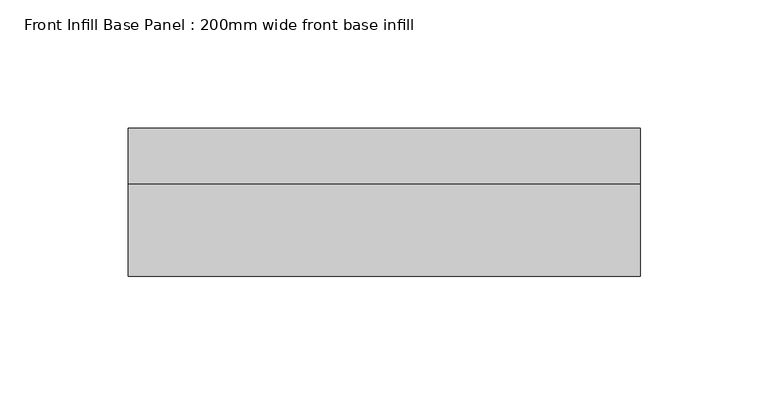
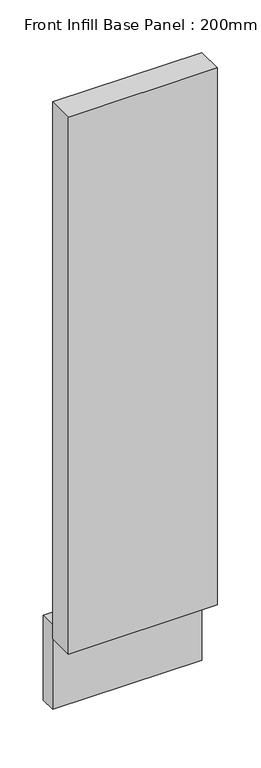
"""IFC4 building model written with IfcOpenShell, lengths in millimetres: furniture geometry, Front Infill Base Panel : 200mm wide front base infill."""

from ifc_helpers import new_model, si_unit, frame, origin, origin_with_axes, place, context, project, spatial, polyline, outline, extrude, source, transform, mapped, element, save


def front_infill_base_panel_200mm_wide_front_base_infill_aa18a56d(model_context):
    return source(origin(), model_context, "Body", "SweptSolid", [
        extrude(outline(polyline([(44.7003264, -547.0), (44.7003264, -583.0), (-155.2996736, -583.0), (-155.2996736, -547.0), (44.7003264, -547.0)])), frame((0.0, 0.0, 100.0), z_axis=(0.0, 0.0, 1.0), x_axis=(1.0, 0.0, 0.0)), (0.0, 0.0, 1.0), 760.0),
        extrude(outline(polyline([(44.7003264, -525.0), (44.7003264, -547.0), (-155.2996736, -547.0), (-155.2996736, -525.0), (44.7003264, -525.0)])), origin_with_axes(), (0.0, 0.0, 1.0), 120.0),
    ])


if __name__ == "__main__":
    model = new_model("IFC4")
    model_context = context("Model", 3, world=origin())
    ifc_project = project(units=[si_unit("LENGTHUNIT", "METRE", prefix="MILLI")], contexts=[model_context])
    site = spatial("IfcSite", under=ifc_project)
    building = spatial("IfcBuilding", under=site)
    placement = place(None, origin())
    front_infill_base_panel_200mm_wide_front_base_infill_shape = front_infill_base_panel_200mm_wide_front_base_infill_aa18a56d(model_context)
    element("IfcFurniture", 1, ObjectType="Front Infill Base Panel : 200mm wide front base infill", at=placement, inside=building, context=model_context, shape_type="MappedRepresentation", body=[
        mapped(front_infill_base_panel_200mm_wide_front_base_infill_shape, transform((0.0, 0.0, 0.0), x_axis=(1.0, 0.0, 0.0), y_axis=(0.0, 1.0, 0.0), z_axis=(0.0, 0.0, 1.0))),
    ])
    save(model, "model.ifc")
